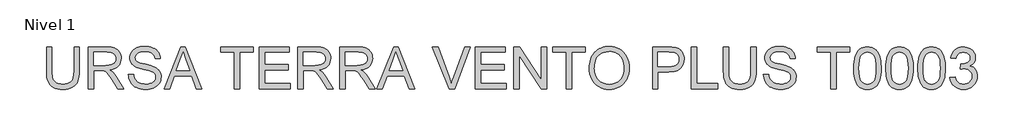
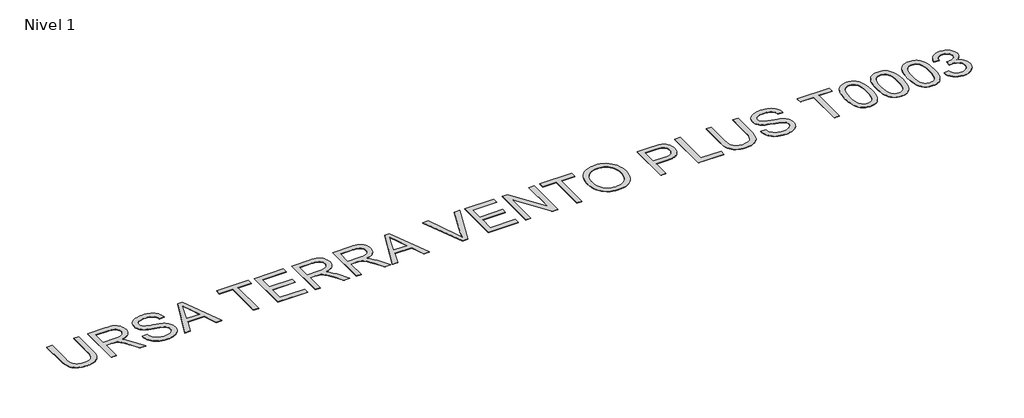
# One storey, part 3 of 9: 1 proxy.
"""IFC4 building model written with IfcOpenShell, lengths in millimetres."""

from ifc_helpers import new_model, si_unit, origin, origin_with_axes, place, context, project, spatial, polyline, outline, extrude, element, save

model = new_model("IFC4")

# Units and contexts
model_context = context("Model", 3, world=origin())
ifc_project = project(units=[si_unit("LENGTHUNIT", "METRE", prefix="MILLI")], contexts=[model_context])

# Site, building, storey
site = spatial("IfcSite", under=ifc_project)
building = spatial("IfcBuilding", under=site)
storey = spatial("IfcBuildingStorey", under=building, Name="Nivel 1", Elevation=0.0)

# Proxy
placement = place(None, origin())
element("IfcBuildingElementProxy", 1, Name="Texto de modelo 2", ObjectType="Texto de modelo 2", at=placement, inside=storey, context=model_context, shape_type="SweptSolid", body=[
    extrude(outline(polyline([(-13124.1944797, -14574.3871054), (-12998.624092, -14574.3871054), (-12998.624092, -15153.9238751), (-13000.7547419, -15225.6838568), (-13007.1466916, -15289.6416745), (-13017.799941, -15345.7973282), (-13032.7144903, -15394.150818), (-13053.1779262, -15436.5338895), (-13080.477836, -15474.7782886), (-13114.6142194, -15508.8840152), (-13155.5870766, -15538.8510694), (-13203.4423929, -15563.2615726), (-13258.2261533, -15580.6976464), (-13319.938358, -15591.1592906), (-13388.5790069, -15594.6465054), (-13455.5258658, -15591.6114789), (-13516.0807751, -15582.5063995), (-13570.2437347, -15567.3312672), (-13618.0147446, -15546.086082), (-13659.401469, -15519.0850764), (-13694.4115723, -15486.6424829), (-13723.0450542, -15448.7583016), (-13745.3019149, -15405.4325325), (-13761.9868962, -15355.1783191), (-13773.90474, -15296.5088051), (-13781.0554463, -15229.4239904), (-13783.4390151, -15153.9238751), (-13783.4390151, -14574.3871054), (-13657.8686274, -14574.3871054), (-13657.8686274, -15149.5092912), (-13656.3204573, -15210.2174846), (-13651.6759471, -15262.3570932), (-13643.9350968, -15305.928117), (-13633.0979064, -15340.930556), (-13618.4899255, -15369.8935989), (-13599.4367038, -15395.3464345), (-13575.9382414, -15417.2890626), (-13547.9945382, -15435.7214834), (-13516.1420888, -15450.3141359), (-13480.9173877, -15460.7374591), (-13442.3204351, -15466.991453), (-13400.3512308, -15469.0761177), (-13331.1434304, -15464.9527736), (-13272.6348648, -15452.5827415), (-13224.8255338, -15431.9660214), (-13204.9330814, -15418.5651533), (-13187.7154376, -15403.1026132), (-13172.8277131, -15384.7085134), (-13159.9250185, -15362.5129664), (-13140.0747192, -15306.7175305), (-13128.1645396, -15235.7163054), (-13124.1944797, -15149.5092912), (-13124.1944797, -14574.3871054)])), origin_with_axes(), (0.0, 0.0, 1.0), 10.0),
    extrude(outline(polyline([(-12778.8759136, -15578.9502069), (-12778.8759136, -14574.3871054), (-12346.0014326, -14574.3871054), (-12283.8676965, -14576.0808954), (-12229.6587516, -14581.1622655), (-12183.3745981, -14589.6312156), (-12145.0152359, -14601.4877457), (-12112.3503804, -14617.6438967), (-12083.149747, -14639.0117092), (-12057.4133358, -14665.5911834), (-12035.1411467, -14697.3823191), (-12017.1685784, -14732.675998), (-12004.3310296, -14769.7631017), (-11996.6285003, -14808.64363), (-11994.0609905, -14849.3175831), (-11998.3146261, -14900.9130329), (-12011.0755328, -14948.2778398), (-12032.3437107, -14991.4120038), (-12062.1191597, -15030.3155248), (-12100.7850902, -15063.7468011), (-12148.7247127, -15090.464231), (-12205.9380271, -15110.4678145), (-12272.4250336, -15123.7575515), (-12231.0383091, -15150.7968782), (-12201.0559265, -15177.4683228), (-12149.6137608, -15238.4754204), (-12099.2752412, -15306.7175305), (-11931.766306, -15578.9502069), (-12077.6928308, -15578.9502069), (-12208.4135664, -15370.7289976), (-12260.7141234, -15291.2664867), (-12302.8366118, -15232.8958768), (-12337.9386855, -15192.7047688), (-12369.1779983, -15167.7807636), (-12398.7618421, -15153.1574543), (-12428.8975088, -15143.8684339), (-12501.7381439, -15139.45385), (-12653.3055259, -15139.45385), (-12653.3055259, -15578.9502069), (-12778.8759136, -15578.9502069)]), holes=[polyline([(-12653.3055259, -15013.8834623), (-12372.2436816, -15013.8834623), (-12291.5242405, -15009.4382215), (-12228.8923308, -14996.1024992), (-12203.7077425, -14985.8784454), (-12181.7421217, -14972.9872472), (-12162.9954684, -14957.4289045), (-12147.4677825, -14939.2034173), (-12135.2893557, -14919.207498), (-12126.5904793, -14898.337859), (-12121.3711535, -14876.5945002), (-12119.6313782, -14853.9774217), (-12122.9499804, -14821.8643892), (-12132.9057869, -14792.7250695), (-12149.4987977, -14766.5594626), (-12172.7290129, -14743.3675685), (-12203.1329269, -14724.3756605), (-12241.2470345, -14710.8100119), (-12287.0713355, -14702.6706228), (-12340.60583, -14699.9574931), (-12653.3055259, -14699.9574931), (-12653.3055259, -15013.8834623)])]), origin_with_axes(), (0.0, 0.0, 1.0), 10.0),
    extrude(outline(polyline([(-11821.4017075, -15233.6316408), (-11695.8313198, -15233.6316408), (-11690.0831636, -15270.1822498), (-11681.4226083, -15303.314622), (-11669.8496539, -15333.0287573), (-11655.3643003, -15359.3246558), (-11637.2307836, -15382.7311477), (-11614.7133399, -15403.7770635), (-11587.811969, -15422.4624032), (-11556.5266709, -15438.7871667), (-11522.0070771, -15452.0385828), (-11485.4028185, -15461.5038799), (-11446.7138954, -15467.1830582), (-11405.9403076, -15469.0761177), (-11335.9814148, -15463.3432899), (-11304.2669212, -15456.1772552), (-11274.7290626, -15446.1448066), (-11248.095939, -15433.606162), (-11225.0956501, -15418.921539), (-11205.7281959, -15402.0909377), (-11189.9935764, -15383.1143581), (-11177.8151495, -15362.8118705), (-11169.1162732, -15342.0035452), (-11163.8969474, -15320.6893821), (-11162.1571721, -15298.8693812), (-11167.3688337, -15256.8388633), (-11183.0038185, -15220.5105163), (-11196.1555998, -15204.3926863), (-11214.7642974, -15189.5164582), (-11238.8299113, -15175.8818317), (-11268.3524414, -15163.488807), (-11334.663171, -15143.7764634), (-11451.189793, -15115.5415203), (-11571.2112939, -15083.8116982), (-11615.012244, -15068.5216028), (-11648.0066604, -15053.6147178), (-11681.5375714, -15033.6111343), (-11710.5159428, -15011.369602), (-11734.9417744, -14986.8901209), (-11754.8150663, -14960.172691), (-11770.2124607, -14931.4932238), (-11781.2105995, -14901.1276308), (-11787.8094828, -14869.0759119), (-11790.0091106, -14835.3380673), (-11787.2883166, -14797.9443953), (-11779.1259349, -14761.7923251), (-11765.5219652, -14726.8818566), (-11746.4764078, -14693.2129898), (-11722.2038603, -14662.1576181), (-11692.9189207, -14635.0876346), (-11658.6215888, -14612.0030394), (-11619.3118648, -14592.9038325), (-11576.3156566, -14577.9356338), (-11530.9588723, -14567.2440633), (-11483.2415118, -14560.829121), (-11433.1635752, -14558.6908069), (-11378.5330989, -14560.9287557), (-11327.2135606, -14567.6426022), (-11279.2049602, -14578.8323462), (-11234.5072978, -14594.4979878), (-11193.9483079, -14614.5015713), (-11158.3557248, -14638.7051409), (-11127.7295487, -14667.1086966), (-11102.0697796, -14699.7122384), (-11081.5756868, -14735.5654045), (-11066.4465397, -14773.7178331), (-11056.6823384, -14814.1695242), (-11052.2830829, -14856.9204777), (-11177.8534706, -14856.9204777), (-11186.2534428, -14816.8519971), (-11200.9074089, -14781.995178), (-11221.815369, -14752.3500206), (-11248.977323, -14727.9165247), (-11282.8991086, -14708.8173178), (-11324.0865637, -14695.1750271), (-11372.5396881, -14686.9896528), (-11428.258482, -14684.2611946), (-11485.7553721, -14686.9589959), (-11534.8829469, -14695.0523998), (-11575.6412063, -14708.5414063), (-11608.0301503, -14727.4260154), (-11632.7089008, -14750.1274002), (-11650.3365797, -14775.0667338), (-11660.9131871, -14802.2440162), (-11664.4387229, -14831.6592474), (-11661.940191, -14856.9664629), (-11654.4445953, -14879.9131024), (-11641.9519359, -14900.4991657), (-11624.4622127, -14918.7246529), (-11596.9323768, -14935.9844498), (-11553.583615, -14953.4281878), (-11494.4159274, -14971.0558667), (-11419.4293141, -14988.8674866), (-11280.9830566, -15022.5286892), (-11232.269349, -15037.7498067), (-11197.228589, -15051.8979351), (-11158.731271, -15073.3423898), (-11125.6448841, -15097.4539889), (-11097.9694282, -15124.2327324), (-11075.7049033, -15153.6786205), (-11058.5907263, -15185.6383688), (-11046.3663141, -15219.9586933), (-11039.0316669, -15256.6395939), (-11036.5867844, -15295.6810706), (-11039.3995489, -15334.9601378), (-11047.8378421, -15373.0895738), (-11061.9016642, -15410.0693785), (-11081.5910152, -15445.899552), (-11106.5610056, -15479.1928725), (-11136.4667461, -15508.5621185), (-11171.3082367, -15534.0072898), (-11211.0854775, -15555.5283865), (-11254.6411729, -15572.6425635), (-11300.8180275, -15584.8669756), (-11349.6160413, -15592.2016229), (-11401.0352143, -15594.6465054), (-11465.2689435, -15592.0100177), (-11524.0610849, -15584.1005548), (-11577.4116384, -15570.9181167), (-11625.320604, -15552.4627032), (-11668.0792218, -15528.7036577), (-11705.9787315, -15499.6103233), (-11739.0191332, -15465.1826999), (-11767.2004269, -15425.4207876), (-11789.9018116, -15381.6121733), (-11806.5024867, -15335.0444441), (-11817.0024519, -15285.7175999), (-11821.4017075, -15233.6316408)])), origin_with_axes(), (0.0, 0.0, 1.0), 10.0),
    extrude(outline(polyline([(-10965.2176774, -15578.9502069), (-10564.2263026, -14574.3871054), (-10457.2952694, -14574.3871054), (-10056.3038946, -15578.9502069), (-10188.9866675, -15578.9502069), (-10304.0111047, -15265.0242377), (-10717.7557219, -15265.0242377), (-10832.5349044, -15578.9502069), (-10965.2176774, -15578.9502069)]), holes=[polyline([(-10671.6478452, -15139.45385), (-10349.8737268, -15139.45385), (-10440.3726976, -14892.4824039), (-10510.760786, -14699.9574931), (-10573.3007252, -14870.8999935), (-10671.6478452, -15139.45385)])]), origin_with_axes(), (0.0, 0.0, 1.0), 10.0),
    extrude(outline(polyline([(-9278.6013568, -15578.9502069), (-9278.6013568, -14699.9574931), (-9608.2236245, -14699.9574931), (-9608.2236245, -14574.3871054), (-8823.4087014, -14574.3871054), (-8823.4087014, -14699.9574931), (-9153.0309691, -14699.9574931), (-9153.0309691, -15578.9502069), (-9278.6013568, -15578.9502069)])), origin_with_axes(), (0.0, 0.0, 1.0), 10.0),
    extrude(outline(polyline([(-8682.1420153, -15578.9502069), (-8682.1420153, -14574.3871054), (-7960.1122861, -14574.3871054), (-7960.1122861, -14699.9574931), (-8556.5716276, -14699.9574931), (-8556.5716276, -14998.1871638), (-7991.504883, -14998.1871638), (-7991.504883, -15123.7575515), (-8556.5716276, -15123.7575515), (-8556.5716276, -15453.3798192), (-7944.4159876, -15453.3798192), (-7944.4159876, -15578.9502069), (-8682.1420153, -15578.9502069)])), origin_with_axes(), (0.0, 0.0, 1.0), 10.0),
    extrude(outline(polyline([(-7756.0604061, -15578.9502069), (-7756.0604061, -14574.3871054), (-7323.1859251, -14574.3871054), (-7261.052189, -14576.0808954), (-7206.8432441, -14581.1622655), (-7160.5590906, -14589.6312156), (-7122.1997284, -14601.4877457), (-7089.5348729, -14617.6438967), (-7060.3342396, -14639.0117092), (-7034.5978283, -14665.5911834), (-7012.3256392, -14697.3823191), (-6994.3530709, -14732.675998), (-6981.5155221, -14769.7631017), (-6973.8129928, -14808.64363), (-6971.2454831, -14849.3175831), (-6975.4991186, -14900.9130329), (-6988.2600253, -14948.2778398), (-7009.5282032, -14991.4120038), (-7039.3036522, -15030.3155248), (-7077.9695827, -15063.7468011), (-7125.9092052, -15090.464231), (-7183.1225197, -15110.4678145), (-7249.6095261, -15123.7575515), (-7208.2228016, -15150.7968782), (-7178.240419, -15177.4683228), (-7126.7982534, -15238.4754204), (-7076.4597337, -15306.7175305), (-6908.9507985, -15578.9502069), (-7054.8773233, -15578.9502069), (-7185.5980589, -15370.7289976), (-7237.8986159, -15291.2664867), (-7280.0211043, -15232.8958768), (-7315.1231781, -15192.7047688), (-7346.3624908, -15167.7807636), (-7375.9463346, -15153.1574543), (-7406.0820014, -15143.8684339), (-7478.9226364, -15139.45385), (-7630.4900184, -15139.45385), (-7630.4900184, -15578.9502069), (-7756.0604061, -15578.9502069)]), holes=[polyline([(-7630.4900184, -15013.8834623), (-7349.4281741, -15013.8834623), (-7268.708733, -15009.4382215), (-7206.0768233, -14996.1024992), (-7180.8922351, -14985.8784454), (-7158.9266143, -14972.9872472), (-7140.1799609, -14957.4289045), (-7124.6522751, -14939.2034173), (-7112.4738482, -14919.207498), (-7103.7749718, -14898.337859), (-7098.555646, -14876.5945002), (-7096.8158708, -14853.9774217), (-7100.1344729, -14821.8643892), (-7110.0902794, -14792.7250695), (-7126.6832902, -14766.5594626), (-7149.9135054, -14743.3675685), (-7180.3174194, -14724.3756605), (-7218.431527, -14710.8100119), (-7264.255828, -14702.6706228), (-7317.7903225, -14699.9574931), (-7630.4900184, -14699.9574931), (-7630.4900184, -15013.8834623)])]), origin_with_axes(), (0.0, 0.0, 1.0), 10.0),
    extrude(outline(polyline([(-6751.4973046, -15578.9502069), (-6751.4973046, -14574.3871054), (-6318.6228236, -14574.3871054), (-6256.4890875, -14576.0808954), (-6202.2801426, -14581.1622655), (-6155.9959891, -14589.6312156), (-6117.6366269, -14601.4877457), (-6084.9717714, -14617.6438967), (-6055.7711381, -14639.0117092), (-6030.0347268, -14665.5911834), (-6007.7625377, -14697.3823191), (-5989.7899694, -14732.675998), (-5976.9524206, -14769.7631017), (-5969.2498913, -14808.64363), (-5966.6823816, -14849.3175831), (-5970.9360171, -14900.9130329), (-5983.6969238, -14948.2778398), (-6004.9651017, -14991.4120038), (-6034.7405507, -15030.3155248), (-6073.4064812, -15063.7468011), (-6121.3461037, -15090.464231), (-6178.5594182, -15110.4678145), (-6245.0464246, -15123.7575515), (-6203.6597001, -15150.7968782), (-6173.6773175, -15177.4683228), (-6122.2351519, -15238.4754204), (-6071.8966322, -15306.7175305), (-5904.3876971, -15578.9502069), (-6050.3142218, -15578.9502069), (-6181.0349574, -15370.7289976), (-6233.3355144, -15291.2664867), (-6275.4580029, -15232.8958768), (-6310.5600766, -15192.7047688), (-6341.7993893, -15167.7807636), (-6371.3832331, -15153.1574543), (-6401.5188999, -15143.8684339), (-6474.3595349, -15139.45385), (-6625.9269169, -15139.45385), (-6625.9269169, -15578.9502069), (-6751.4973046, -15578.9502069)]), holes=[polyline([(-6625.9269169, -15013.8834623), (-6344.8650726, -15013.8834623), (-6264.1456315, -15009.4382215), (-6201.5137218, -14996.1024992), (-6176.3291336, -14985.8784454), (-6154.3635128, -14972.9872472), (-6135.6168594, -14957.4289045), (-6120.0891736, -14939.2034173), (-6107.9107467, -14919.207498), (-6099.2118703, -14898.337859), (-6093.9925445, -14876.5945002), (-6092.2527693, -14853.9774217), (-6095.5713714, -14821.8643892), (-6105.5271779, -14792.7250695), (-6122.1201887, -14766.5594626), (-6145.3504039, -14743.3675685), (-6175.754318, -14724.3756605), (-6213.8684255, -14710.8100119), (-6259.6927265, -14702.6706228), (-6313.227221, -14699.9574931), (-6625.9269169, -14699.9574931), (-6625.9269169, -15013.8834623)])]), origin_with_axes(), (0.0, 0.0, 1.0), 10.0),
    extrude(outline(polyline([(-5863.9206776, -15578.9502069), (-5462.9293028, -14574.3871054), (-5355.9982696, -14574.3871054), (-4955.0068948, -15578.9502069), (-5087.6896678, -15578.9502069), (-5202.7141049, -15265.0242377), (-5616.4587222, -15265.0242377), (-5731.2379047, -15578.9502069), (-5863.9206776, -15578.9502069)]), holes=[polyline([(-5570.3508454, -15139.45385), (-5248.576727, -15139.45385), (-5339.0756978, -14892.4824039), (-5409.4637862, -14699.9574931), (-5472.0037254, -14870.8999935), (-5570.3508454, -15139.45385)])]), origin_with_axes(), (0.0, 0.0, 1.0), 10.0),
    extrude(outline(polyline([(-4131.6869896, -15578.9502069), (-4531.4520911, -14574.3871054), (-4397.0525355, -14574.3871054), (-4129.4796977, -15298.1336172), (-4099.7425697, -15382.4399078), (-4075.278417, -15461.2279684), (-4050.3850687, -15379.6194792), (-4021.8129004, -15298.1336172), (-3753.5042986, -14574.3871054), (-3619.104743, -14574.3871054), (-4001.9472727, -15578.9502069), (-4131.6869896, -15578.9502069)])), origin_with_axes(), (0.0, 0.0, 1.0), 10.0),
    extrude(outline(polyline([(-3502.3635232, -15578.9502069), (-3502.3635232, -14574.3871054), (-2780.333794, -14574.3871054), (-2780.333794, -14699.9574931), (-3376.7931355, -14699.9574931), (-3376.7931355, -14998.1871638), (-2811.7263909, -14998.1871638), (-2811.7263909, -15123.7575515), (-3376.7931355, -15123.7575515), (-3376.7931355, -15453.3798192), (-2764.6374955, -15453.3798192), (-2764.6374955, -15578.9502069), (-3502.3635232, -15578.9502069)])), origin_with_axes(), (0.0, 0.0, 1.0), 10.0),
    extrude(outline(polyline([(-2576.281914, -15578.9502069), (-2576.281914, -14574.3871054), (-2441.8823584, -14574.3871054), (-1917.0373787, -15370.2384883), (-1917.0373787, -14574.3871054), (-1791.466991, -14574.3871054), (-1791.466991, -15578.9502069), (-1925.8665465, -15578.9502069), (-2450.7115263, -14782.8535693), (-2450.7115263, -15578.9502069), (-2576.281914, -15578.9502069)])), origin_with_axes(), (0.0, 0.0, 1.0), 10.0),
    extrude(outline(polyline([(-1320.5780371, -15578.9502069), (-1320.5780371, -14699.9574931), (-1650.2003048, -14699.9574931), (-1650.2003048, -14574.3871054), (-865.3853818, -14574.3871054), (-865.3853818, -14699.9574931), (-1195.0076495, -14699.9574931), (-1195.0076495, -15578.9502069), (-1320.5780371, -15578.9502069)])), origin_with_axes(), (0.0, 0.0, 1.0), 10.0),
    extrude(outline(polyline([(-771.207591, -15089.912408), (-769.1152622, -15029.3076814), (-762.8382756, -14972.0828706), (-752.3766314, -14918.2379757), (-737.7303295, -14867.7729966), (-718.8993698, -14820.6879333), (-695.8837525, -14776.9827858), (-668.6834775, -14736.6575542), (-637.2985448, -14699.7122384), (-602.6065062, -14666.6603404), (-565.4849136, -14638.0153621), (-525.933767, -14613.7773036), (-483.9530664, -14593.9461648), (-439.5428118, -14578.5219457), (-392.7030032, -14567.5046464), (-343.4336406, -14560.8942668), (-291.734724, -14558.6908069), (-224.1517358, -14562.8294794), (-159.971656, -14575.2454967), (-99.1944847, -14595.9388589), (-41.8202219, -14624.9095661), (10.5416487, -14661.2838983), (56.2816435, -14704.188136), (95.3997623, -14753.6222791), (127.8960052, -14809.5863276), (153.433147, -14870.808023), (171.6739626, -14936.0151067), (182.618452, -15005.2075786), (186.2666151, -15078.3854388), (182.4268468, -15152.5289892), (170.9075418, -15222.6564946), (151.7087002, -15288.7679548), (124.8303219, -15350.8633699), (90.9085363, -15407.3025993), (50.5794725, -15456.4455025), (3.8431307, -15498.2920795), (-49.3004891, -15532.8423302), (-106.7590583, -15559.8816568), (-166.4402478, -15579.1954616), (-228.3440577, -15590.7837444), (-292.470488, -15594.6465054), (-361.2337642, -15590.3775414), (-426.2569069, -15577.5706494), (-487.5399159, -15556.2258295), (-545.0827913, -15526.3430816), (-597.3833483, -15489.0797012), (-642.939402, -15445.5929836), (-681.7509525, -15395.882929), (-713.8179998, -15339.9495374), (-738.9259459, -15280.0384216), (-756.8601932, -15218.3951948), (-767.6207416, -15155.0198569), (-771.207591, -15089.912408)]), holes=[polyline([(-645.6372033, -15091.1386813), (-644.0679567, -15133.931788), (-639.3602168, -15174.3873111), (-631.5139836, -15212.5052508), (-620.5292572, -15248.2856069), (-606.4060374, -15281.7283795), (-589.1443244, -15312.8335686), (-568.7441182, -15341.6011742), (-545.2054186, -15368.0311963), (-519.2984788, -15391.7135998), (-491.7935515, -15412.2383494), (-462.6906368, -15429.6054453), (-431.9897346, -15443.8148873), (-399.6908451, -15454.8666756), (-365.7939681, -15462.7608101), (-330.2991037, -15467.4972908), (-293.206252, -15469.0761177), (-255.4351177, -15467.4819624), (-219.376934, -15462.6994964), (-185.0317009, -15454.7287199), (-152.3994183, -15443.5696327), (-121.4800862, -15429.2222349), (-92.2737047, -15411.6865264), (-64.7802737, -15390.9625074), (-38.9997933, -15367.0501777), (-15.6335384, -15340.2062883), (4.6172158, -15310.6875903), (21.7524693, -15278.4940836), (35.7722222, -15243.6257683), (46.6764745, -15206.0826443), (54.4652261, -15165.8647116), (59.1384771, -15122.9719702), (60.6962274, -15077.4044201), (58.0290829, -15019.9381868), (50.0276495, -14966.2427439), (36.6919272, -14916.3180915), (18.021916, -14870.1642295), (-5.7754506, -14828.3866304), (-34.4932388, -14791.5907667), (-68.1314488, -14759.7766383), (-106.6900804, -14732.9442453), (-148.9735172, -14711.6454106), (-193.7861428, -14696.4319573), (-241.127957, -14687.3038853), (-290.99896, -14684.2611946), (-361.0651516, -14690.1243139), (-426.0729659, -14707.7136718), (-456.6799815, -14720.9056902), (-486.0224027, -14737.0292683), (-540.913462, -14778.0711034), (-565.4580889, -14803.4837018), (-586.7300989, -14832.8165428), (-604.7294919, -14866.0696263), (-619.456268, -14903.2429523), (-630.9104272, -14944.3365207), (-639.0919695, -14989.3503317), (-644.0008949, -15038.2843853), (-645.6372033, -15091.1386813)])]), origin_with_axes(), (0.0, 0.0, 1.0), 10.0),
    extrude(outline(polyline([(751.3333597, -15578.9502069), (751.3333597, -14574.3871054), (1123.6299388, -14574.3871054), (1210.3274623, -14576.7783384), (1273.7257928, -14583.9520373), (1308.6669182, -14591.485954), (1340.6496591, -14601.8249709), (1369.6740157, -14614.969088), (1395.7399879, -14630.9183053), (1419.1234872, -14650.0021838), (1440.1004252, -14672.5502844), (1458.6708017, -14698.5626072), (1474.8346169, -14728.039152), (1487.9250845, -14760.0065646), (1497.2754186, -14793.4914904), (1502.885619, -14828.4939294), (1504.7556858, -14865.0138816), (1499.7049726, -14926.680101), (1484.5528329, -14983.4105704), (1459.2992668, -15035.2052896), (1423.9442742, -15082.0642587), (1401.7084901, -15102.8725841), (1375.4068435, -15120.9064661), (1345.0393344, -15136.1659047), (1310.6059629, -15148.6508999), (1272.1067288, -15158.3614517), (1229.5416324, -15165.2975601), (1132.213852, -15170.8464469), (876.9037474, -15170.8464469), (876.9037474, -15578.9502069), (751.3333597, -15578.9502069)]), holes=[polyline([(876.9037474, -15045.2760592), (1139.5714919, -15045.2760592), (1199.9654528, -15042.3943169), (1250.9171091, -15033.74909), (1292.4264609, -15019.3403786), (1324.4935082, -14999.1681825), (1348.4211663, -14973.7689964), (1365.5123506, -14943.6793149), (1375.7670613, -14908.8991379), (1379.1852981, -14869.4284655), (1377.1696114, -14840.1205332), (1371.1225511, -14813.0198929), (1361.0441172, -14788.1265446), (1346.9343099, -14765.4404882), (1329.5442214, -14745.6974878), (1309.6249442, -14729.6333074), (1287.1764783, -14717.2479469), (1262.1988237, -14708.5414063), (1213.7610276, -14702.1034714), (1136.628436, -14699.9574931), (876.9037474, -14699.9574931), (876.9037474, -15045.2760592)])]), origin_with_axes(), (0.0, 0.0, 1.0), 10.0),
    extrude(outline(polyline([(1677.4149689, -15578.9502069), (1677.4149689, -14574.3871054), (1802.9853566, -14574.3871054), (1802.9853566, -15453.3798192), (2305.2669073, -15453.3798192), (2305.2669073, -15578.9502069), (1677.4149689, -15578.9502069)])), origin_with_axes(), (0.0, 0.0, 1.0), 10.0),
    extrude(outline(polyline([(3105.7781288, -14574.3871054), (3231.3485165, -14574.3871054), (3231.3485165, -15153.9238751), (3229.2178666, -15225.6838568), (3222.825917, -15289.6416745), (3212.1726675, -15345.7973282), (3197.2581183, -15394.150818), (3176.7946823, -15436.5338895), (3149.4947726, -15474.7782886), (3115.3583891, -15508.8840152), (3074.3855319, -15538.8510694), (3026.5302157, -15563.2615726), (2971.7464552, -15580.6976464), (2910.0342506, -15591.1592906), (2841.3936016, -15594.6465054), (2774.4467427, -15591.6114789), (2713.8918335, -15582.5063995), (2659.7288739, -15567.3312672), (2611.957864, -15546.086082), (2570.5711395, -15519.0850764), (2535.5610363, -15486.6424829), (2506.9275543, -15448.7583016), (2484.6706936, -15405.4325325), (2467.9857123, -15355.1783191), (2456.0678685, -15296.5088051), (2448.9171622, -15229.4239904), (2446.5335935, -15153.9238751), (2446.5335935, -14574.3871054), (2572.1039811, -14574.3871054), (2572.1039811, -15149.5092912), (2573.6521512, -15210.2174846), (2578.2966614, -15262.3570932), (2586.0375117, -15305.928117), (2596.8747022, -15340.930556), (2611.4826831, -15369.8935989), (2630.5359047, -15395.3464345), (2654.0343672, -15417.2890626), (2681.9780704, -15435.7214834), (2713.8305198, -15450.3141359), (2749.0552208, -15460.7374591), (2787.6521735, -15466.991453), (2829.6213778, -15469.0761177), (2898.8291781, -15464.9527736), (2957.3377438, -15452.5827415), (3005.1470747, -15431.9660214), (3025.0395272, -15418.5651533), (3042.257171, -15403.1026132), (3057.1448955, -15384.7085134), (3070.04759, -15362.5129664), (3089.8978894, -15306.7175305), (3101.808069, -15235.7163054), (3105.7781288, -15149.5092912), (3105.7781288, -14574.3871054)])), origin_with_axes(), (0.0, 0.0, 1.0), 10.0),
    extrude(outline(polyline([(3404.0077996, -15233.6316408), (3529.5781873, -15233.6316408), (3535.3263434, -15270.1822498), (3543.9868987, -15303.314622), (3555.5598532, -15333.0287573), (3570.0452067, -15359.3246558), (3588.1787234, -15382.7311477), (3610.6961672, -15403.7770635), (3637.5975381, -15422.4624032), (3668.8828361, -15438.7871667), (3703.40243, -15452.0385828), (3740.0066885, -15461.5038799), (3778.6956117, -15467.1830582), (3819.4691995, -15469.0761177), (3889.4280922, -15463.3432899), (3921.1425859, -15456.1772552), (3950.6804444, -15446.1448066), (3977.313568, -15433.606162), (4000.3138569, -15418.921539), (4019.6813111, -15402.0909377), (4035.4159306, -15383.1143581), (4047.5943575, -15362.8118705), (4056.2932339, -15342.0035452), (4061.5125597, -15320.6893821), (4063.2523349, -15298.8693812), (4058.0406733, -15256.8388633), (4042.4056885, -15220.5105163), (4029.2539072, -15204.3926863), (4010.6452096, -15189.5164582), (3986.5795958, -15175.8818317), (3957.0570657, -15163.488807), (3890.746336, -15143.7764634), (3774.2197141, -15115.5415203), (3654.1982131, -15083.8116982), (3610.3972631, -15068.5216028), (3577.4028466, -15053.6147178), (3543.8719356, -15033.6111343), (3514.8935643, -15011.369602), (3490.4677327, -14986.8901209), (3470.5944407, -14960.172691), (3455.1970464, -14931.4932238), (3444.1989075, -14901.1276308), (3437.6000243, -14869.0759119), (3435.4003965, -14835.3380673), (3438.1211904, -14797.9443953), (3446.2835722, -14761.7923251), (3459.8875418, -14726.8818566), (3478.9330993, -14693.2129898), (3503.2056467, -14662.1576181), (3532.4905864, -14635.0876346), (3566.7879182, -14612.0030394), (3606.0976423, -14592.9038325), (3649.0938504, -14577.9356338), (3694.4506348, -14567.2440633), (3742.1679952, -14560.829121), (3792.2459318, -14558.6908069), (3846.8764081, -14560.9287557), (3898.1959464, -14567.6426022), (3946.2045468, -14578.8323462), (3990.9022092, -14594.4979878), (4031.4611992, -14614.5015713), (4067.0537822, -14638.7051409), (4097.6799583, -14667.1086966), (4123.3397275, -14699.7122384), (4143.8338203, -14735.5654045), (4158.9629673, -14773.7178331), (4168.7271686, -14814.1695242), (4173.1264242, -14856.9204777), (4047.5560365, -14856.9204777), (4039.1560642, -14816.8519971), (4024.5020981, -14781.995178), (4003.594138, -14752.3500206), (3976.4321841, -14727.9165247), (3942.5103984, -14708.8173178), (3901.3229434, -14695.1750271), (3852.8698189, -14686.9896528), (3797.1510251, -14684.2611946), (3739.6541349, -14686.9589959), (3690.5265602, -14695.0523998), (3649.7683008, -14708.5414063), (3617.3793568, -14727.4260154), (3592.7006063, -14750.1274002), (3575.0729273, -14775.0667338), (3564.49632, -14802.2440162), (3560.9707842, -14831.6592474), (3563.4693161, -14856.9664629), (3570.9649117, -14879.9131024), (3583.4575711, -14900.4991657), (3600.9472943, -14918.7246529), (3628.4771303, -14935.9844498), (3671.8258921, -14953.4281878), (3730.9935796, -14971.0558667), (3805.980193, -14988.8674866), (3944.4264505, -15022.5286892), (3993.140158, -15037.7498067), (4028.1809181, -15051.8979351), (4066.678236, -15073.3423898), (4099.764623, -15097.4539889), (4127.4400789, -15124.2327324), (4149.7046038, -15153.6786205), (4166.8187808, -15185.6383688), (4179.0431929, -15219.9586933), (4186.3778402, -15256.6395939), (4188.8227226, -15295.6810706), (4186.0099582, -15334.9601378), (4177.5716649, -15373.0895738), (4163.5078428, -15410.0693785), (4143.8184919, -15445.899552), (4118.8485015, -15479.1928725), (4088.9427609, -15508.5621185), (4054.1012703, -15534.0072898), (4014.3240296, -15555.5283865), (3970.7683342, -15572.6425635), (3924.5914796, -15584.8669756), (3875.7934658, -15592.2016229), (3824.3742927, -15594.6465054), (3760.1405635, -15592.0100177), (3701.3484222, -15584.1005548), (3647.9978687, -15570.9181167), (3600.088903, -15552.4627032), (3557.3302853, -15528.7036577), (3519.4307756, -15499.6103233), (3486.3903739, -15465.1826999), (3458.2090802, -15425.4207876), (3435.5076954, -15381.6121733), (3418.9070204, -15335.0444441), (3408.4070551, -15285.7175999), (3404.0077996, -15233.6316408)])), origin_with_axes(), (0.0, 0.0, 1.0), 10.0),
    extrude(outline(polyline([(5020.726541, -15578.9502069), (5020.726541, -14699.9574931), (4691.1042734, -14699.9574931), (4691.1042734, -14574.3871054), (5475.9191964, -14574.3871054), (5475.9191964, -14699.9574931), (5146.2969287, -14699.9574931), (5146.2969287, -15578.9502069), (5020.726541, -15578.9502069)])), origin_with_axes(), (0.0, 0.0, 1.0), 10.0),
    extrude(outline(polyline([(5570.0969872, -15084.76206), (5572.4039139, -15000.2948211), (5579.3246939, -14923.9669713), (5590.8593273, -14855.7785107), (5607.007814, -14795.7294392), (5627.7011763, -14743.3292475), (5652.8704361, -14698.0874263), (5682.5155935, -14660.0039756), (5716.6366486, -14629.0788953), (5755.3485644, -14605.1512372), (5798.766304, -14588.0600529), (5846.8898675, -14577.8053423), (5899.7192549, -14574.3871054), (5939.4198535, -14576.4104564), (5977.0971012, -14582.4805093), (6012.7509979, -14592.5972642), (6046.3815436, -14606.760721), (6077.1763323, -14624.7332893), (6104.3229578, -14646.2773786), (6127.8214203, -14671.392989), (6147.6717196, -14700.0801204), (6180.4132172, -14767.7090939), (6206.5328388, -14848.7044465), (6216.511638, -14896.3375006), (6223.6393516, -14951.558121), (6229.3415225, -15084.76206), (6227.0575885, -15168.6928044), (6220.2057863, -15244.6374438), (6208.7861161, -15312.5959782), (6192.7985777, -15372.5684076), (6172.2661638, -15424.9915919), (6147.2118671, -15470.302391), (6117.6356875, -15508.5008048), (6083.5376251, -15539.5868334), (6044.7797241, -15563.6754399), (6001.2240287, -15580.8815874), (5952.870539, -15591.2052759), (5899.7192549, -15594.6465054), (5830.5574398, -15588.6684229), (5798.9195882, -15581.1958199), (5769.2437739, -15570.7341757), (5741.5299969, -15557.2834902), (5715.7782573, -15540.8437636), (5691.9885549, -15521.4149957), (5670.1608899, -15498.9971866), (5646.7084127, -15463.5004062), (5626.3829324, -15423.3514513), (5609.1844492, -15378.5503221), (5595.1129628, -15329.0970185), (5584.1684735, -15274.9915405), (5576.3509811, -15216.2338881), (5571.6604857, -15152.8240613), (5570.0969872, -15084.76206)]), holes=[polyline([(5695.6673749, -15084.5168054), (5699.3461948, -15193.6781232), (5710.3826547, -15282.03878), (5728.7767544, -15349.5987755), (5740.7329193, -15375.5785254), (5754.5284941, -15396.35811), (5785.6758364, -15428.1722383), (5820.2567439, -15450.8966157), (5858.2712167, -15464.5312422), (5899.7192549, -15469.0761177), (5941.167293, -15464.5159138), (5979.1817658, -15450.8353021), (6013.7626734, -15428.0342826), (6044.9100156, -15396.1128553), (6058.7055904, -15375.2834534), (6070.6617553, -15349.2768788), (6089.055855, -15281.7322116), (6100.0923149, -15193.4788538), (6103.7711348, -15084.5168054), (6100.2149422, -14978.244894), (6089.5463644, -14891.4400716), (6071.7654013, -14824.102338), (6060.2077753, -14797.7336296), (6046.8720529, -14776.2316934), (6016.2458768, -14742.8617308), (5981.2664305, -14719.0260432), (5941.9337138, -14704.7246306), (5898.2477269, -14699.9574931), (5857.0142866, -14704.1574792), (5819.6436072, -14716.7574375), (5786.1356888, -14737.7573681), (5756.4905314, -14767.1572709), (5742.2351041, -14790.9469732), (5729.8804004, -14819.2738869), (5710.873164, -14889.5393479), (5699.4688221, -14977.9536541), (5695.6673749, -15084.5168054)])]), origin_with_axes(), (0.0, 0.0, 1.0), 10.0),
    extrude(outline(polyline([(6339.2156118, -15084.76206), (6341.5225384, -15000.2948211), (6348.4433185, -14923.9669713), (6359.9779519, -14855.7785107), (6376.1264386, -14795.7294392), (6396.8198008, -14743.3292475), (6421.9890607, -14698.0874263), (6451.6342181, -14660.0039756), (6485.7552732, -14629.0788953), (6524.467189, -14605.1512372), (6567.8849286, -14588.0600529), (6616.0084921, -14577.8053423), (6668.8378794, -14574.3871054), (6708.5384781, -14576.4104564), (6746.2157258, -14582.4805093), (6781.8696225, -14592.5972642), (6815.5001682, -14606.760721), (6846.2949569, -14624.7332893), (6873.4415824, -14646.2773786), (6896.9400449, -14671.392989), (6916.7903442, -14700.0801204), (6949.5318418, -14767.7090939), (6975.6514634, -14848.7044465), (6985.6302625, -14896.3375006), (6992.7579762, -14951.558121), (6998.4601471, -15084.76206), (6996.1762131, -15168.6928044), (6989.3244109, -15244.6374438), (6977.9047406, -15312.5959782), (6961.9172023, -15372.5684076), (6941.3847884, -15424.9915919), (6916.3304917, -15470.302391), (6886.7543121, -15508.5008048), (6852.6562497, -15539.5868334), (6813.8983487, -15563.6754399), (6770.3426533, -15580.8815874), (6721.9891635, -15591.2052759), (6668.8378794, -15594.6465054), (6599.6760643, -15588.6684229), (6568.0382128, -15581.1958199), (6538.3623985, -15570.7341757), (6510.6486215, -15557.2834902), (6484.8968819, -15540.8437636), (6461.1071795, -15521.4149957), (6439.2795144, -15498.9971866), (6415.8270373, -15463.5004062), (6395.501557, -15423.3514513), (6378.3030737, -15378.5503221), (6364.2315874, -15329.0970185), (6353.2870981, -15274.9915405), (6345.4696057, -15216.2338881), (6340.7791102, -15152.8240613), (6339.2156118, -15084.76206)]), holes=[polyline([(6464.7859994, -15084.5168054), (6468.4648194, -15193.6781232), (6479.5012793, -15282.03878), (6497.895379, -15349.5987755), (6509.8515439, -15375.5785254), (6523.6471187, -15396.35811), (6554.7944609, -15428.1722383), (6589.3753685, -15450.8966157), (6627.3898413, -15464.5312422), (6668.8378794, -15469.0761177), (6710.2859176, -15464.5159138), (6748.3003904, -15450.8353021), (6782.8812979, -15428.0342826), (6814.0286402, -15396.1128553), (6827.824215, -15375.2834534), (6839.7803799, -15349.2768788), (6858.1744796, -15281.7322116), (6869.2109395, -15193.4788538), (6872.8897594, -15084.5168054), (6869.3335668, -14978.244894), (6858.6649889, -14891.4400716), (6840.8840258, -14824.102338), (6829.3263998, -14797.7336296), (6815.9906775, -14776.2316934), (6785.3645014, -14742.8617308), (6750.385055, -14719.0260432), (6711.0523384, -14704.7246306), (6667.3663515, -14699.9574931), (6626.1329112, -14704.1574792), (6588.7622318, -14716.7574375), (6555.2543134, -14737.7573681), (6525.609156, -14767.1572709), (6511.3537287, -14790.9469732), (6498.999025, -14819.2738869), (6479.9917886, -14889.5393479), (6468.5874467, -14977.9536541), (6464.7859994, -15084.5168054)])]), origin_with_axes(), (0.0, 0.0, 1.0), 10.0),
    extrude(outline(polyline([(7108.3342363, -15084.76206), (7110.641163, -15000.2948211), (7117.5619431, -14923.9669713), (7129.0965764, -14855.7785107), (7145.2450632, -14795.7294392), (7165.9384254, -14743.3292475), (7191.1076853, -14698.0874263), (7220.7528427, -14660.0039756), (7254.8738978, -14629.0788953), (7293.5858135, -14605.1512372), (7337.0035532, -14588.0600529), (7385.1271167, -14577.8053423), (7437.956504, -14574.3871054), (7477.6571027, -14576.4104564), (7515.3343503, -14582.4805093), (7550.988247, -14592.5972642), (7584.6187928, -14606.760721), (7615.4135814, -14624.7332893), (7642.560207, -14646.2773786), (7666.0586694, -14671.392989), (7685.9089688, -14700.0801204), (7718.6504663, -14767.7090939), (7744.770088, -14848.7044465), (7754.7488871, -14896.3375006), (7761.8766008, -14951.558121), (7767.5787717, -15084.76206), (7765.2948376, -15168.6928044), (7758.4430355, -15244.6374438), (7747.0233652, -15312.5959782), (7731.0358268, -15372.5684076), (7710.503413, -15424.9915919), (7685.4491163, -15470.302391), (7655.8729367, -15508.5008048), (7621.7748743, -15539.5868334), (7583.0169732, -15563.6754399), (7539.4612779, -15580.8815874), (7491.1077881, -15591.2052759), (7437.956504, -15594.6465054), (7368.7946889, -15588.6684229), (7337.1568373, -15581.1958199), (7307.4810231, -15570.7341757), (7279.7672461, -15557.2834902), (7254.0155064, -15540.8437636), (7230.2258041, -15521.4149957), (7208.398139, -15498.9971866), (7184.9456618, -15463.5004062), (7164.6201816, -15423.3514513), (7147.4216983, -15378.5503221), (7133.350212, -15329.0970185), (7122.4057227, -15274.9915405), (7114.5882303, -15216.2338881), (7109.8977348, -15152.8240613), (7108.3342363, -15084.76206)]), holes=[polyline([(7233.904624, -15084.5168054), (7237.583444, -15193.6781232), (7248.6199038, -15282.03878), (7267.0140036, -15349.5987755), (7278.9701684, -15375.5785254), (7292.7657433, -15396.35811), (7323.9130855, -15428.1722383), (7358.4939931, -15450.8966157), (7396.5084659, -15464.5312422), (7437.956504, -15469.0761177), (7479.4045421, -15464.5159138), (7517.419015, -15450.8353021), (7551.9999225, -15428.0342826), (7583.1472648, -15396.1128553), (7596.9428396, -15375.2834534), (7608.8990044, -15349.2768788), (7627.2931042, -15281.7322116), (7638.3295641, -15193.4788538), (7642.008384, -15084.5168054), (7638.4521914, -14978.244894), (7627.7836135, -14891.4400716), (7610.0026504, -14824.102338), (7598.4450244, -14797.7336296), (7585.1093021, -14776.2316934), (7554.483126, -14742.8617308), (7519.5036796, -14719.0260432), (7480.170963, -14704.7246306), (7436.484976, -14699.9574931), (7395.2515357, -14704.1574792), (7357.8808564, -14716.7574375), (7324.372938, -14737.7573681), (7294.7277806, -14767.1572709), (7280.4723533, -14790.9469732), (7268.1176496, -14819.2738869), (7249.1104132, -14889.5393479), (7237.7060713, -14977.9536541), (7233.904624, -15084.5168054)])]), origin_with_axes(), (0.0, 0.0, 1.0), 10.0),
    extrude(outline(polyline([(7877.4528609, -15312.1131331), (8003.0232486, -15296.4168346), (8015.4469302, -15339.0758176), (8031.1355644, -15375.3275226), (8050.0891514, -15405.1719494), (8072.307691, -15428.6090982), (8098.2970212, -15446.3134192), (8128.5629795, -15458.9593628), (8163.105566, -15466.5469289), (8201.9247807, -15469.0761177), (8247.4195207, -15465.5965671), (8288.0091675, -15455.1579155), (8323.6937211, -15437.7601628), (8354.4731813, -15413.4033091), (8379.2592308, -15383.9114358), (8396.9635518, -15351.1086245), (8407.5861444, -15314.9948754), (8411.1270086, -15275.5701882), (8407.6168012, -15238.0232321), (8397.0861791, -15203.863856), (8379.5351423, -15173.0920599), (8354.9636907, -15145.7078439), (8324.9813081, -15123.2287212), (8291.1974782, -15107.1722049), (8253.612201, -15097.5382952), (8212.2254765, -15094.3269919), (8172.5555347, -15097.7605572), (8124.1790524, -15108.0612531), (8138.1585682, -14982.4908654), (8158.2694506, -14983.9623934), (8196.8817317, -14981.7091161), (8233.5013186, -14974.9492845), (8268.1282114, -14963.6828984), (8300.76241, -14947.9099578), (8328.4455302, -14927.4618503), (8348.2191874, -14902.1699631), (8360.0833818, -14872.0342963), (8364.0381132, -14837.05485), (8361.1716993, -14808.6589585), (8352.5724577, -14782.8229125), (8338.2403883, -14759.5467121), (8318.1754911, -14738.8303572), (8293.5887111, -14721.8234792), (8265.6909932, -14709.6757091), (8234.4823372, -14702.3870471), (8199.9627434, -14699.9574931), (8165.53512, -14702.4100397), (8134.1118662, -14709.7676796), (8105.6929821, -14722.0304128), (8080.2784676, -14739.1982392), (8058.4967878, -14761.2711589), (8040.9764078, -14788.2491719), (8027.7173275, -14820.1322782), (8018.7195471, -14856.9204777), (7893.1491594, -14841.2241792), (7908.0330518, -14781.2747424), (7930.1212999, -14728.4683477), (7959.4139038, -14682.8049951), (7995.9108634, -14644.2846845), (8038.4625475, -14613.7044936), (8085.9193249, -14591.8615002), (8138.2811955, -14578.7557041), (8195.5481594, -14574.3871054), (8235.8235737, -14576.5407479), (8274.4895042, -14583.0016755), (8311.545951, -14593.769888), (8346.9929141, -14608.8453856), (8379.5964559, -14627.6533526), (8408.122639, -14649.6189734), (8432.5714632, -14674.742248), (8452.9429287, -14703.0231764), (8468.9841165, -14733.3351199), (8480.4421079, -14764.5514401), (8487.3169026, -14796.6721368), (8489.6085009, -14829.69721), (8487.4318658, -14860.7525818), (8480.9019603, -14890.3977393), (8470.0187847, -14918.6326824), (8454.7823387, -14945.4574112), (8435.2845929, -14970.2434606), (8411.6175179, -14992.3623656), (8383.7811136, -15011.8141261), (8351.77538, -15028.5987421), (8393.621957, -15041.6892098), (8430.3794997, -15060.359221), (8462.0480081, -15084.6087759), (8488.6274822, -15114.4378743), (8509.6580696, -15149.1107524), (8524.6799178, -15187.891646), (8533.6930267, -15230.7805553), (8536.6973963, -15277.7774802), (8530.688657, -15341.482379), (8523.177733, -15371.4494332), (8512.6624393, -15400.1595572), (8499.1427759, -15427.6127511), (8482.618743, -15453.8090149), (8440.5575682, -15502.4307519), (8415.7293656, -15524.0438191), (8389.314672, -15542.775144), (8361.3134872, -15558.6247267), (8331.7258113, -15571.592567), (8300.5516443, -15581.678665), (8267.7909862, -15588.8830208), (8197.5101967, -15594.6465054), (8133.9892389, -15589.7260837), (8076.1091383, -15574.9648186), (8023.869895, -15550.3627102), (7977.271509, -15515.9197584), (7938.1993754, -15473.6593142), (7908.5388895, -15425.6047286), (7888.2900514, -15371.7560015), (7877.4528609, -15312.1131331)])), origin_with_axes(), (0.0, 0.0, 1.0), 10.0),
])

save(model, "model.ifc")
